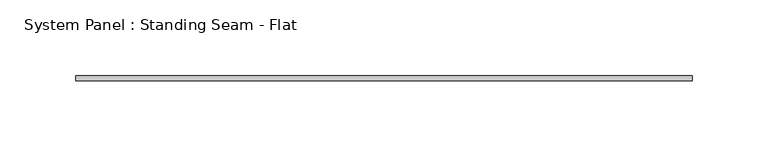
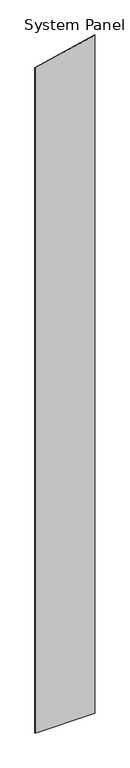
"""IFC4 building model written with IfcOpenShell, lengths in millimetres: plate geometry, System Panel : Standing Seam - Flat."""

from ifc_helpers import new_model, si_unit, frame, origin, place, context, project, spatial, polyline, outline, extrude, source, transform, mapped, element, save


def system_panel_standing_seam_flat_2937b60f(model_context):
    return source(origin(), model_context, "Body", "SweptSolid", [
        extrude(outline(polyline([(0.0, -203.2), (0.0, 203.2), (4880.2912566, 203.2), (4786.9085118, -203.2), (0.0, -203.2)])), frame((0.0, -1.5875, 0.0), z_axis=(0.0, 1.0, 0.0), x_axis=(0.0, 0.0, 1.0)), (0.0, 0.0, 1.0), 3.175),
    ])


if __name__ == "__main__":
    model = new_model("IFC4")
    model_context = context("Model", 3, world=origin())
    ifc_project = project(units=[si_unit("LENGTHUNIT", "METRE", prefix="MILLI")], contexts=[model_context])
    site = spatial("IfcSite", under=ifc_project)
    building = spatial("IfcBuilding", under=site)
    placement = place(None, origin())
    system_panel_standing_seam_flat_shape = system_panel_standing_seam_flat_2937b60f(model_context)
    element("IfcPlate", 1, ObjectType="System Panel : Standing Seam - Flat", at=placement, inside=building, context=model_context, shape_type="MappedRepresentation", body=[
        mapped(system_panel_standing_seam_flat_shape, transform((0.0, 0.0, 0.0), x_axis=(1.0, 0.0, 0.0), y_axis=(0.0, 1.0, 0.0), z_axis=(0.0, 0.0, 1.0))),
    ])
    save(model, "model.ifc")
